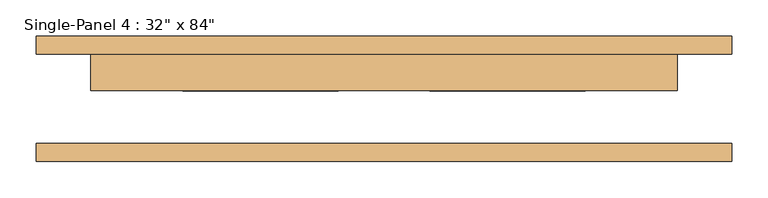
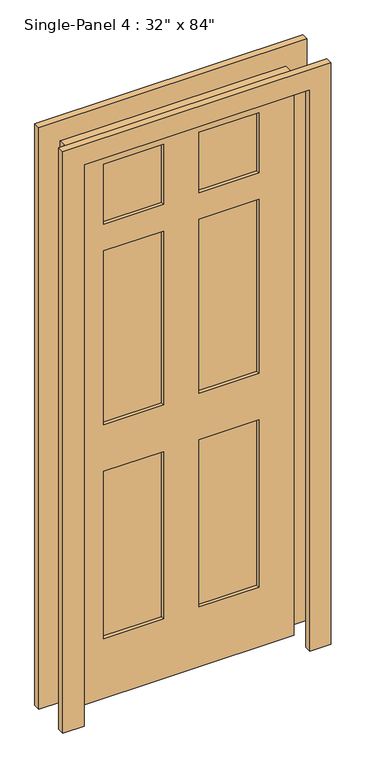
"""IFC4 building model written with IfcOpenShell, lengths in millimetres: door geometry."""

from ifc_helpers import new_model, si_unit, frame, origin, place, context, project, spatial, polyline, outline, extrude, source, transform, mapped, element, save


def door_6007ecd4(model_context):
    return source(origin(), model_context, "Body", "SweptSolid", [
        extrude(outline(polyline([(0.0, -482.6), (0.0, -406.4), (2133.6, -406.4), (2133.6, 406.4), (0.0, 406.4), (0.0, 482.6), (2209.8, 482.6), (2209.8, -482.6), (0.0, -482.6)])), frame((0.0, -87.3125, 0.0), z_axis=(0.0, 1.0, 0.0), x_axis=(0.0, 0.0, 1.0)), (0.0, 0.0, 1.0), 25.4),
        extrude(outline(polyline([(0.0, 482.6), (2209.8, 482.6), (2209.8, -482.6), (0.0, -482.6), (0.0, -406.4), (2133.6, -406.4), (2133.6, 406.4), (0.0, 406.4), (0.0, 482.6)])), frame((0.0, 61.9125, 0.0), z_axis=(0.0, 1.0, 0.0), x_axis=(0.0, 0.0, 1.0)), (0.0, 0.0, 1.0), 25.4),
        extrude(outline(polyline([(-63.5, 23.8125), (-279.4, 23.8125), (-279.4, 49.2125), (-63.5, 49.2125), (-63.5, 23.8125)])), frame((0.0, 0.0, 1803.4), z_axis=(0.0, 0.0, 1.0), x_axis=(1.0, 0.0, 0.0)), (0.0, 0.0, 1.0), 228.6),
        extrude(outline(polyline([(279.4, 23.8125), (63.5, 23.8125), (63.5, 49.2125), (279.4, 49.2125), (279.4, 23.8125)])), frame((0.0, 0.0, 1803.4), z_axis=(0.0, 0.0, 1.0), x_axis=(1.0, 0.0, 0.0)), (0.0, 0.0, 1.0), 228.6),
        extrude(outline(polyline([(-63.5, 23.8125), (-279.4, 23.8125), (-279.4, 49.2125), (-63.5, 49.2125), (-63.5, 23.8125)])), frame((0.0, 0.0, 1041.4), z_axis=(0.0, 0.0, 1.0), x_axis=(1.0, 0.0, 0.0)), (0.0, 0.0, 1.0), 660.4),
        extrude(outline(polyline([(279.4, 23.8125), (63.5, 23.8125), (63.5, 49.2125), (279.4, 49.2125), (279.4, 23.8125)])), frame((0.0, 0.0, 1041.4), z_axis=(0.0, 0.0, 1.0), x_axis=(1.0, 0.0, 0.0)), (0.0, 0.0, 1.0), 660.4),
        extrude(outline(polyline([(-63.5, 23.8125), (-279.4, 23.8125), (-279.4, 49.2125), (-63.5, 49.2125), (-63.5, 23.8125)])), frame((0.0, 0.0, 228.6), z_axis=(0.0, 0.0, 1.0), x_axis=(1.0, 0.0, 0.0)), (0.0, 0.0, 1.0), 635.0),
        extrude(outline(polyline([(279.4, 23.8125), (63.5, 23.8125), (63.5, 49.2125), (279.4, 49.2125), (279.4, 23.8125)])), frame((0.0, 0.0, 228.6), z_axis=(0.0, 0.0, 1.0), x_axis=(1.0, 0.0, 0.0)), (0.0, 0.0, 1.0), 635.0),
        extrude(outline(polyline([(2133.6, 406.4), (2133.6, -406.4), (0.0, -406.4), (0.0, 406.4), (2133.6, 406.4)]), holes=[polyline([(2032.0, -63.5), (1803.4, -63.5), (1803.4, -279.4), (2032.0, -279.4), (2032.0, -63.5)]), polyline([(2032.0, 279.4), (1803.4, 279.4), (1803.4, 63.5), (2032.0, 63.5), (2032.0, 279.4)]), polyline([(1701.8, -63.5), (1041.4, -63.5), (1041.4, -279.4), (1701.8, -279.4), (1701.8, -63.5)]), polyline([(1701.8, 279.4), (1041.4, 279.4), (1041.4, 63.5), (1701.8, 63.5), (1701.8, 279.4)]), polyline([(863.6, -63.5), (228.6, -63.5), (228.6, -279.4), (863.6, -279.4), (863.6, -63.5)]), polyline([(863.6, 279.4), (228.6, 279.4), (228.6, 63.5), (863.6, 63.5), (863.6, 279.4)])]), frame((0.0, 11.1125, 0.0), z_axis=(0.0, 1.0, 0.0), x_axis=(0.0, 0.0, 1.0)), (0.0, 0.0, 1.0), 50.8),
    ])


if __name__ == "__main__":
    model = new_model("IFC4")
    model_context = context("Model", 3, world=origin())
    ifc_project = project(units=[si_unit("LENGTHUNIT", "METRE", prefix="MILLI")], contexts=[model_context])
    site = spatial("IfcSite", under=ifc_project)
    building = spatial("IfcBuilding", under=site)
    placement = place(None, origin())
    door_shape = door_6007ecd4(model_context)
    element("IfcDoor", 1, ObjectType="Single-Panel 4 : 32\" x 84\"", at=placement, inside=building, context=model_context, shape_type="MappedRepresentation", body=[
        mapped(door_shape, transform((0.0, 0.0, 0.0), x_axis=(1.0, 0.0, 0.0), y_axis=(0.0, 1.0, 0.0), z_axis=(0.0, 0.0, 1.0))),
    ])
    save(model, "model.ifc")
